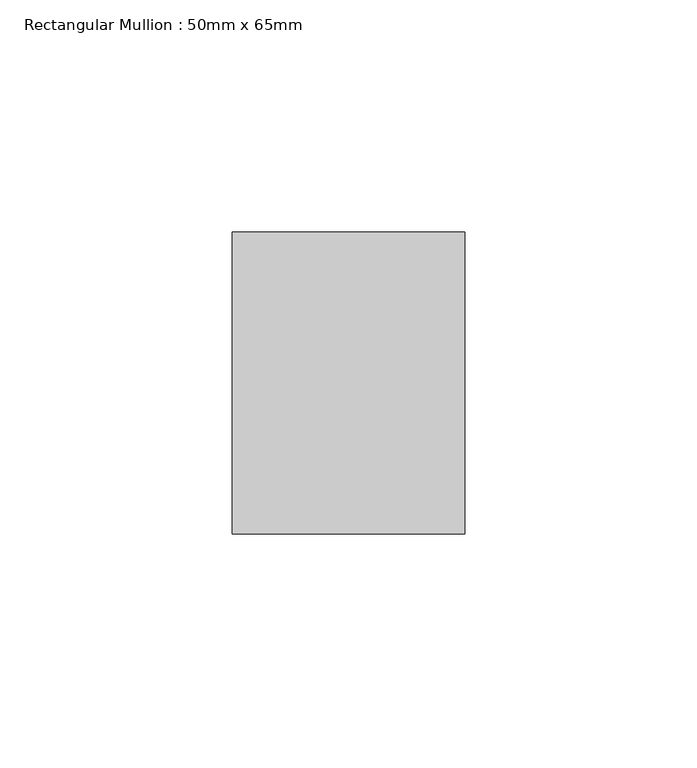
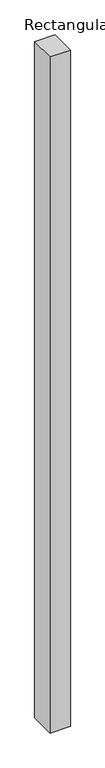
"""IFC4 building model written with IfcOpenShell, lengths in millimetres: member geometry, Rectangular Mullion : 50mm x 65mm."""

from ifc_helpers import new_model, si_unit, frame, origin, place, context, project, spatial, polyline, outline, extrude, source, transform, mapped, element, save


def rectangular_mullion_50mm_x_65mm_b6c0ac9e(model_context):
    return source(origin(), model_context, "Body", "SweptSolid", [
        extrude(outline(polyline([(25.0, 32.5), (25.0, -32.5), (-25.0, -32.5), (-25.0, 32.5), (25.0, 32.5)])), frame((0.0, 0.0, -1754.4949147), z_axis=(0.0, 0.0, 1.0), x_axis=(1.0, 0.0, 0.0)), (0.0, 0.0, 1.0), 1754.4949147),
    ])


if __name__ == "__main__":
    model = new_model("IFC4")
    model_context = context("Model", 3, world=origin())
    ifc_project = project(units=[si_unit("LENGTHUNIT", "METRE", prefix="MILLI")], contexts=[model_context])
    site = spatial("IfcSite", under=ifc_project)
    building = spatial("IfcBuilding", under=site)
    placement = place(None, origin())
    rectangular_mullion_50mm_x_65mm_shape = rectangular_mullion_50mm_x_65mm_b6c0ac9e(model_context)
    element("IfcMember", 1, ObjectType="Rectangular Mullion : 50mm x 65mm", at=placement, inside=building, context=model_context, shape_type="MappedRepresentation", body=[
        mapped(rectangular_mullion_50mm_x_65mm_shape, transform((0.0, 0.0, 0.0), x_axis=(1.0, 0.0, 0.0), y_axis=(0.0, 1.0, 0.0), z_axis=(0.0, 0.0, 1.0))),
    ])
    save(model, "model.ifc")
